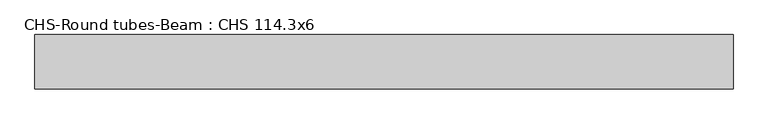
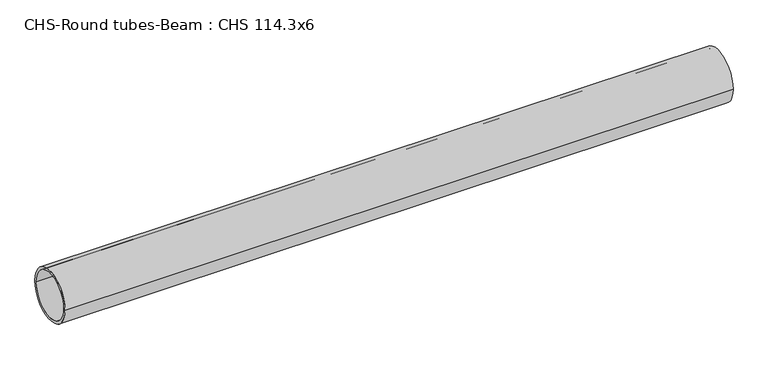
"""IFC4 building model written with IfcOpenShell, lengths in millimetres: beam geometry, CHS-Round tubes-Beam : CHS 114.3x6."""

from ifc_helpers import new_model, si_unit, point, frame, origin, origin_2d, place, context, project, spatial, circle_curve, trimmed, segment, composite_curve, outline, extrude, source, transform, mapped, element, save


def chs_round_tubes_beam_chs_114_3x6_d4f80cd3(model_context):
    return source(origin(), model_context, "Body", "SweptSolid", [
        extrude(outline(composite_curve([segment(trimmed(circle_curve(origin_2d(), 57.15), [point((57.15, 0.0))], [point((-57.15, 0.0))], False, "CARTESIAN"), True, "CONTINUOUS"), segment(trimmed(circle_curve(origin_2d(), 57.15), [point((-57.15, 0.0))], [point((57.15, 0.0))], False, "CARTESIAN"), True, "CONTINUOUS")], self_intersect=False), holes=[composite_curve([segment(trimmed(circle_curve(origin_2d(), 51.15), [point((51.15, 0.0))], [point((-51.15, 0.0))], True, "CARTESIAN"), True, "CONTINUOUS"), segment(trimmed(circle_curve(origin_2d(), 51.15), [point((-51.15, 0.0))], [point((51.15, 0.0))], True, "CARTESIAN"), True, "CONTINUOUS")], self_intersect=False)]), frame((-702.7335298, 0.0, 0.0), z_axis=(1.0, 0.0, 0.0), x_axis=(0.0, 1.0, 0.0)), (0.0, 0.0, 1.0), 1465.7746167),
    ])


if __name__ == "__main__":
    model = new_model("IFC4")
    model_context = context("Model", 3, world=origin())
    ifc_project = project(units=[si_unit("LENGTHUNIT", "METRE", prefix="MILLI")], contexts=[model_context])
    site = spatial("IfcSite", under=ifc_project)
    building = spatial("IfcBuilding", under=site)
    placement = place(None, origin())
    chs_round_tubes_beam_chs_114_3x6_shape = chs_round_tubes_beam_chs_114_3x6_d4f80cd3(model_context)
    element("IfcBeam", 1, ObjectType="CHS-Round tubes-Beam : CHS 114.3x6", at=placement, inside=building, context=model_context, shape_type="MappedRepresentation", body=[
        mapped(chs_round_tubes_beam_chs_114_3x6_shape, transform((0.0, 0.0, 0.0), x_axis=(1.0, 0.0, 0.0), y_axis=(0.0, 1.0, 0.0), z_axis=(0.0, 0.0, 1.0))),
    ])
    save(model, "model.ifc")
